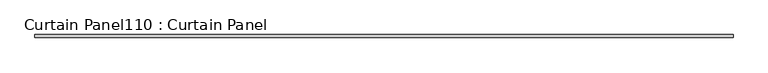
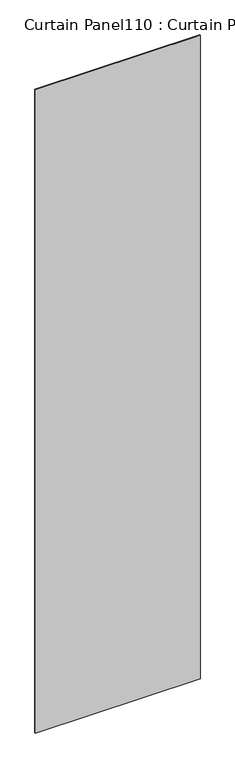
"""IFC4 building model written with IfcOpenShell, lengths in millimetres: plate geometry, Curtain Panel110 : Curtain Panel."""

from ifc_helpers import new_model, si_unit, frame, origin, place, context, project, spatial, polyline, outline, extrude, source, transform, mapped, element, save


def curtain_panel110_curtain_panel_834a26e2(model_context):
    return source(origin(), model_context, "Body", "SweptSolid", [
        extrude(outline(polyline([(247840.1386393, 2360.4734836), (246342.0466291, 2360.4734836), (246342.0466291, 2366.8234836), (247840.1386393, 2366.8234836), (247840.1386393, 2360.4734836)])), frame((0.0, 0.0, 4914.2249337), z_axis=(0.0, 0.0, 1.0), x_axis=(1.0, 0.0, 0.0)), (0.0, 0.0, 1.0), 6185.9401544),
    ])


if __name__ == "__main__":
    model = new_model("IFC4")
    model_context = context("Model", 3, world=origin())
    ifc_project = project(units=[si_unit("LENGTHUNIT", "METRE", prefix="MILLI")], contexts=[model_context])
    site = spatial("IfcSite", under=ifc_project)
    building = spatial("IfcBuilding", under=site)
    placement = place(None, origin())
    curtain_panel110_curtain_panel_shape = curtain_panel110_curtain_panel_834a26e2(model_context)
    element("IfcPlate", 1, ObjectType="Curtain Panel110 : Curtain Panel", at=placement, inside=building, context=model_context, shape_type="MappedRepresentation", body=[
        mapped(curtain_panel110_curtain_panel_shape, transform((0.0, 0.0, 0.0), x_axis=(1.0, 0.0, 0.0), y_axis=(0.0, 1.0, 0.0), z_axis=(0.0, 0.0, 1.0))),
    ])
    save(model, "model.ifc")
